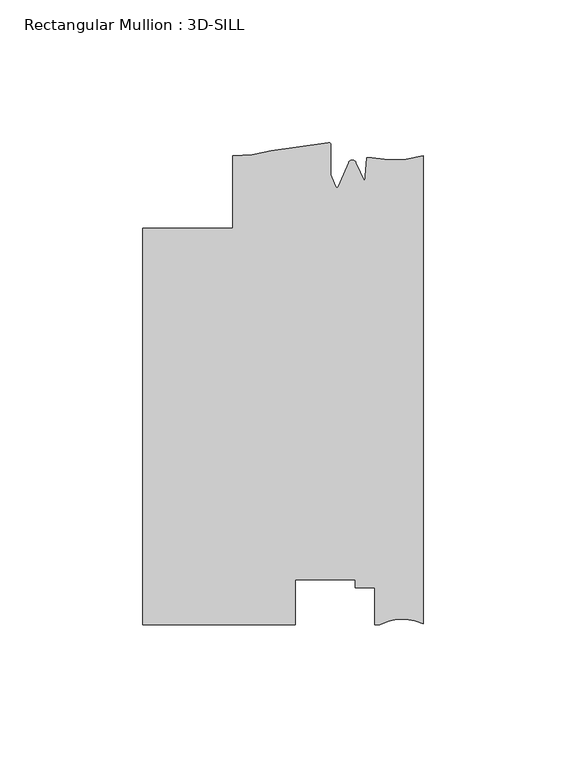
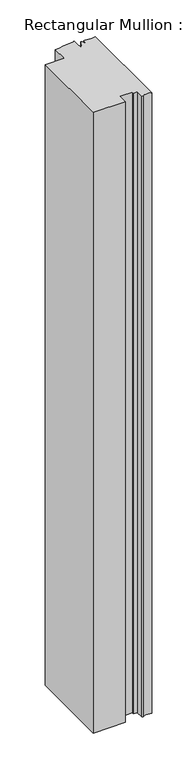
"""IFC4 building model written with IfcOpenShell, lengths in millimetres: member geometry, Rectangular Mullion : 3D-SILL."""

import ifcopenshell
import ifcopenshell.guid

model = None  # the IFC model being written
_history = None  # IfcOwnerHistory: only IFC2X3 demands one
_inside = {}  # id of a spatial element -> (the spatial element, [elements in it])
_under = {}  # id of a project, library or spatial element -> (it, [spatial elements below it])
_declared = {}  # id of a project -> (the project, [libraries it declares])
_typed = {}  # id of a type object -> (the type object, [elements of that type])
_made_of = {}  # id of a material, layer set ... -> (it, [elements and type objects made of it])


def new_model(schema):
    """Start an empty IFC model of exactly this schema.

    Asked for "IFC4X3", IfcOpenShell would pick the latest addendum, in which some entities
    have other attributes; the version numbers below select the first issue.
    IFC2X3 requires an IfcOwnerHistory on every rooted entity: one is made here for all.
    """
    global model, _history
    if schema == "IFC4X3":
        model = ifcopenshell.file(schema_version=(4, 3, 0, 0))
    else:
        model = ifcopenshell.file(schema=schema)
    _inside.clear()
    _under.clear()
    _declared.clear()
    _typed.clear()
    _made_of.clear()
    _history = None
    if model.schema == "IFC2X3":
        org = make("IfcOrganization", Name="unknown")
        user = make(
            "IfcPersonAndOrganization",
            ThePerson=make("IfcPerson", FamilyName="unknown"),
            TheOrganization=org,
        )
        app = make(
            "IfcApplication",
            ApplicationDeveloper=org,
            Version="unknown",
            ApplicationFullName="unknown",
            ApplicationIdentifier="unknown",
        )
        _history = make(
            "IfcOwnerHistory",
            OwningUser=user,
            OwningApplication=app,
            ChangeAction="ADDED",
            CreationDate=0,
        )
    return model


def make(cls, **values):
    """One entity of the class cls with the attributes given. An attribute that is None is left unset."""
    return model.create_entity(
        cls, **{name: value for name, value in values.items() if value is not None}
    )


def rooted(cls, **values):
    """An entity with a GlobalId (a new one), such as an element, a storey or a relation."""
    return make(cls, GlobalId=ifcopenshell.guid.new(), OwnerHistory=_history, **values)


def si_unit(unit_type, name, prefix=None):
    """IfcSIUnit, for example si_unit("LENGTHUNIT", "METRE", prefix="MILLI")."""
    return make("IfcSIUnit", UnitType=unit_type, Prefix=prefix, Name=name)


def assignment(units):
    """IfcUnitAssignment: the units of a project."""
    return None if units is None else make("IfcUnitAssignment", Units=units)


def point(xyz):
    """IfcCartesianPoint."""
    return None if xyz is None else make("IfcCartesianPoint", Coordinates=xyz)


def direction(xyz):
    """IfcDirection."""
    return None if xyz is None else make("IfcDirection", DirectionRatios=xyz)


def frame(location, z_axis=None, x_axis=None):
    """IfcAxis2Placement3D, a coordinate frame: its origin and axes. An axis left out is left unset."""
    return make(
        "IfcAxis2Placement3D",
        Location=point(location),
        Axis=direction(z_axis),
        RefDirection=direction(x_axis),
    )


def origin():
    """The frame at (0, 0, 0) with its axes left unset."""
    return frame((0.0, 0.0, 0.0))


def place(relative_to, where):
    """IfcLocalPlacement: puts the frame where relative to a parent placement (None: the world)."""
    return make(
        "IfcLocalPlacement", PlacementRelTo=relative_to, RelativePlacement=where
    )


def context(
    kind, dimensions, precision=None, world=None, true_north=None, identifier=None
):
    """IfcGeometricRepresentationContext, for example the 3D "Model" context."""
    return make(
        "IfcGeometricRepresentationContext",
        ContextIdentifier=identifier,
        ContextType=kind,
        CoordinateSpaceDimension=dimensions,
        Precision=precision,
        WorldCoordinateSystem=world,
        TrueNorth=true_north,
    )


def project(units=None, contexts=None):
    """IfcProject with its units and contexts."""
    return rooted(
        "IfcProject",
        Name="project",
        RepresentationContexts=contexts,
        UnitsInContext=assignment(units),
    )


def spatial(cls, under=None, at=None, **own):
    """A site, building, storey or space (cls), placed at a placement, below another one or the project."""
    s = rooted(cls, ObjectPlacement=at, **own)
    if under is not None:
        _under.setdefault(under.id(), (under, []))[1].append(s)
    return s


def polyline(points):
    """IfcPolyline through the points."""
    return make("IfcPolyline", Points=[point(p) for p in points])


def circle_curve(where, radius):
    """IfcCircle in the frame where."""
    return make("IfcCircle", Position=where, Radius=radius)


def shape(context_of_items, identifier, shape_type, items):
    """IfcShapeRepresentation: the items that make up one representation, for example the "Body"."""
    return make(
        "IfcShapeRepresentation",
        ContextOfItems=context_of_items,
        RepresentationIdentifier=identifier,
        RepresentationType=shape_type,
        Items=items,
    )


def source(mapping_origin, context_of_items, identifier, shape_type, items):
    """IfcRepresentationMap: a shape defined once, which mapped items show again and again."""
    return make(
        "IfcRepresentationMap",
        MappingOrigin=mapping_origin,
        MappedRepresentation=shape(context_of_items, identifier, shape_type, items),
    )


def transform(
    local_origin,
    x_axis=None,
    y_axis=None,
    z_axis=None,
    scale=None,
    scale2=None,
    scale3=None,
    uniform=True,
):
    """IfcCartesianTransformationOperator3D, or its non-uniform kind. x_axis, y_axis, z_axis: its Axis1, 2, 3."""
    if uniform:
        return make(
            "IfcCartesianTransformationOperator3D",
            Axis1=direction(x_axis),
            Axis2=direction(y_axis),
            LocalOrigin=point(local_origin),
            Scale=scale,
            Axis3=direction(z_axis),
        )
    return make(
        "IfcCartesianTransformationOperator3DnonUniform",
        Axis1=direction(x_axis),
        Axis2=direction(y_axis),
        LocalOrigin=point(local_origin),
        Scale=scale,
        Axis3=direction(z_axis),
        Scale2=scale2,
        Scale3=scale3,
    )


def mapped(mapping_source, mapping_target):
    """IfcMappedItem: shows the shape of a source again, moved by a transform."""
    return make(
        "IfcMappedItem", MappingSource=mapping_source, MappingTarget=mapping_target
    )


def made_of(thing, what):
    """Note that an element or type object is made of a material, layer set ...; save() writes the relation."""
    if what is not None:
        _made_of.setdefault(what.id(), (what, []))[1].append(thing)
    return thing


def element(
    cls,
    number,
    at=None,
    inside=None,
    cuts=None,
    type_object=None,
    material=None,
    context=None,
    identifier="Body",
    shape_type=None,
    held_by="IfcProductDefinitionShape",
    body=None,
    shapes=None,
    **own,
):
    """One element of the class cls, such as IfcWall. Its Tag is "e" and its number.

    at: its placement. inside: the storey or other place that contains it. cuts: it is an
    opening in that element (IfcRelVoidsElement). A single representation is given by context,
    identifier, shape_type and body (its items); several are given by shapes. held_by: the class
    of the entity that holds the representations. save() writes the other relations.
    """
    e = rooted(cls, Tag="e%d" % number, ObjectPlacement=at, **own)
    if body is not None:
        shapes = [shape(context, identifier, shape_type, body)]
    if shapes is not None:
        e.Representation = make(held_by, Representations=shapes)
    if inside is not None:
        _inside.setdefault(inside.id(), (inside, []))[1].append(e)
    if cuts is not None:
        rooted(
            "IfcRelVoidsElement", RelatingBuildingElement=cuts, RelatedOpeningElement=e
        )
    if type_object is not None:
        _typed.setdefault(type_object.id(), (type_object, []))[1].append(e)
    return made_of(e, material)


def aggregate(whole, parts):
    """IfcRelAggregates: a whole, such as a stair, and the parts it consists of."""
    return rooted("IfcRelAggregates", RelatingObject=whole, RelatedObjects=parts)


def save(model, path):
    """Write the relations noted so far, then the file.

    IfcRelAggregates (storeys below a building ...), IfcRelContainedInSpatialStructure (elements
    in a storey), IfcRelDefinesByType, IfcRelAssociatesMaterial and IfcRelDeclares: one each for
    every whole, place, type object, material and project.
    """
    for whole, parts in _under.values():
        aggregate(whole, parts)
    for where, things in _inside.values():
        rooted(
            "IfcRelContainedInSpatialStructure",
            RelatedElements=things,
            RelatingStructure=where,
        )
    for kind, things in _typed.values():
        rooted("IfcRelDefinesByType", RelatedObjects=things, RelatingType=kind)
    for what, things in _made_of.values():
        rooted("IfcRelAssociatesMaterial", RelatedObjects=things, RelatingMaterial=what)
    for by, libraries in _declared.values():
        rooted("IfcRelDeclares", RelatingContext=by, RelatedDefinitions=libraries)
    model.write(path)


def plane_surface(at):
    """IfcPlane: the flat surface through the origin of the frame at, square to its z axis."""
    return make("IfcPlane", Position=at)


def cylinder_surface(at, radius):
    """IfcCylindricalSurface: all points at the distance radius from the z axis of the frame at."""
    return make("IfcCylindricalSurface", Position=at, Radius=radius)


def revolved_surface(curve, axis_point, axis_direction):
    """IfcSurfaceOfRevolution: the curve turned about the line through axis_point along axis_direction."""
    return make(
        "IfcSurfaceOfRevolution",
        SweptCurve=make("IfcArbitraryOpenProfileDef", ProfileType="CURVE", Curve=curve),
        AxisPosition=make("IfcAxis1Placement", Location=point(axis_point), Axis=direction(axis_direction)),
    )


def advanced_brep(points, edges, surfaces, faces):
    """IfcAdvancedBrep: a solid bounded by faces that lie on surfaces and meet in shared edges.

    An edge is (start, end): straight between two places in points (the first is 0);
    or (start, end, curve); or (start, end, curve, False) where it runs against its curve.
    A face is (place in surfaces, loops), or (place, loops, False) where it looks against
    its surface's normal. A loop lists edges by number (the first is 1), with a minus sign
    where the edge is run from its end to its start. The first loop is the outer one.
    """
    corners = [point(p) for p in points]
    vertices = [make("IfcVertexPoint", VertexGeometry=c) for c in corners]
    made = []
    for start, end, *more in edges:
        made.append(
            make(
                "IfcEdgeCurve",
                EdgeStart=vertices[start],
                EdgeEnd=vertices[end],
                EdgeGeometry=more[0] if more else make("IfcPolyline", Points=[corners[start], corners[end]]),
                SameSense=more[1] if len(more) > 1 else True,
            )
        )
    hull = []
    for where, loops, *sense in faces:
        bounds = []
        for j, loop in enumerate(loops):
            ring = [make("IfcOrientedEdge", EdgeElement=made[abs(k) - 1], Orientation=k > 0) for k in loop]
            bounds.append(
                make(
                    "IfcFaceOuterBound" if j == 0 else "IfcFaceBound",
                    Bound=make("IfcEdgeLoop", EdgeList=ring),
                    Orientation=True,
                )
            )
        hull.append(make("IfcAdvancedFace", Bounds=bounds, FaceSurface=surfaces[where], SameSense=sense[0] if sense else True))
    return make("IfcAdvancedBrep", Outer=make("IfcClosedShell", CfsFaces=hull))


def rectangular_mullion_3d_sill_ddfbeca8(model_context):
    return source(origin(), model_context, "Body", "AdvancedBrep", [
        advanced_brep(
        [(-98.425, -27.8368125, 0.0), (-98.425, -167.0288125, 0.0), (-44.8099503, -167.0288125, 0.0), (-44.8099503, -151.130408, 0.0), (-23.8633011, -151.130408, 0.0), (-23.8633011, -153.9850133, 0.0), (-17.0053014, -153.9850133, 0.0), (-17.0053014, -167.0288125, 0.0), (-15.1680895, -167.0288125, 0.0), (0.0, -166.6478125, 0.0), (0.0, -2.4368125, 0.0), (-18.0334985, -3.1935504, 0.0), (-19.8211861, -3.0828843, 0.0), (-20.3867288, -11.4822036, 0.0), (-23.5593147, -4.7881561, 0.0), (-26.1362138, -4.7881561, 0.0), (-29.8075652, -13.2047236, 0.0), (-30.5559634, -13.2047236, 0.0), (-32.384137, -9.0136383, 0.0), (-32.384137, 1.4766469, 0.0), (-33.3130099, 2.2201504, 0.0), (-53.2924277, -0.6208493, 0.0), (-66.6751132, -2.4368125, 0.0), (-66.6751132, -27.8361661, 0.0), (-98.425, -27.8368125, -1098.55), (-66.6751132, -27.8361661, -1098.55), (-66.6751132, -2.4368125, -1098.55), (-53.2924277, -0.6208493, -1098.55), (-33.3138356, 2.2199646, -1098.55), (-32.384137, 1.4766469, -1098.55), (-32.384137, -9.0136383, -1098.55), (-30.5559634, -13.2047236, -1098.55), (-29.8075652, -13.2047236, -1098.55), (-26.1362138, -4.7881561, -1098.55), (-23.5593147, -4.7881561, -1098.55), (-20.3867288, -11.4822036, -1098.55), (-19.8211861, -3.0828843, -1098.55), (-18.0334985, -3.1935504, -1098.55), (0.0, -2.4368125, -1098.55), (0.0, -166.6478125, -1098.55), (-15.1680895, -167.0288125, -1098.55), (-17.0053014, -167.0288125, -1098.55), (-17.0053014, -153.9850133, -1098.55), (-23.8633011, -153.9850133, -1098.55), (-23.8633011, -151.130408, -1098.55), (-44.8099503, -151.130408, -1098.55), (-44.8099503, -167.0288125, -1098.55), (-98.425, -167.0288125, -1098.55)],
        [
            (0, 1),
            (1, 2),
            (2, 3),
            (3, 4),
            (4, 5),
            (5, 6),
            (6, 7),
            (7, 8),
            (8, 9, circle_curve(frame((-7.2326507, -180.8277516, 0.0), z_axis=(0.0, 0.0, -1.0), x_axis=(0.0, -1.0, 0.0)), 15.9179744)),
            (9, 10),
            (10, 11, circle_curve(frame((-10.6264113, 35.54399, 0.0), z_axis=(0.0, 0.0, -1.0), x_axis=(0.0, -1.0, 0.0)), 39.4393455)),
            (11, 12),
            (12, 13),
            (13, 14),
            (14, 15, circle_curve(frame((-24.8477643, -5.3280697, 0.0), z_axis=(0.0, 0.0, 1.0), x_axis=(-0.9222974554240703, 0.38648079346622805, 0.0)), 1.397)),
            (15, 16),
            (16, 17, circle_curve(frame((-30.1817643, -13.2763897, 0.0), z_axis=(0.0, 0.0, -1.0), x_axis=(-0.9821498950386456, 0.1880999300254456, 0.0)), 0.381)),
            (17, 18),
            (18, 19),
            (19, 20, circle_curve(frame((-33.146137, 1.4766469, 0.0), z_axis=(0.0, 0.0, 1.0), x_axis=(1.0, 0.0, 0.0)), 0.762)),
            (20, 21, circle_curve(frame((-61.125498, 126.1389145, 0.0), z_axis=(0.0, 0.0, -1.0), x_axis=(0.2189867881896227, -0.9757278240361876, 0.0)), 127.0015539)),
            (21, 22, circle_curve(frame((-65.8289407, 41.546973, 0.0), z_axis=(0.0, 0.0, -1.0), x_axis=(0.0, -1.0, 0.0)), 43.9919242)),
            (22, 23),
            (23, 0),
            (24, 25),
            (25, 26),
            (26, 27, circle_curve(frame((-65.8289407, 41.546973, -1098.55), z_axis=(0.0, 0.0, 1.0), x_axis=(0.0, -1.0, 0.0)), 43.9919242)),
            (27, 28, circle_curve(frame((-61.125498, 126.1389145, -1098.55), z_axis=(0.0, 0.0, 1.0), x_axis=(0.2189867881896227, -0.9757278240361876, 0.0)), 127.0015539)),
            (28, 29, circle_curve(frame((-33.146137, 1.4766469, -1098.55), z_axis=(0.0, 0.0, -1.0), x_axis=(1.0, 0.0, 0.0)), 0.762)),
            (29, 30),
            (30, 31),
            (31, 32, circle_curve(frame((-30.1817643, -13.2763897, -1098.55), z_axis=(0.0, 0.0, 1.0), x_axis=(-0.9821498950386456, 0.1880999300254456, 0.0)), 0.381)),
            (32, 33),
            (33, 34, circle_curve(frame((-24.8477643, -5.3280697, -1098.55), z_axis=(0.0, 0.0, -1.0), x_axis=(-0.9222974554240703, 0.38648079346622805, 0.0)), 1.397)),
            (34, 35),
            (35, 36),
            (36, 37),
            (37, 38, circle_curve(frame((-10.6264113, 35.54399, -1098.55), z_axis=(0.0, 0.0, 1.0), x_axis=(0.0, -1.0, 0.0)), 39.4393455)),
            (38, 39),
            (39, 40, circle_curve(frame((-7.2326507, -180.8277516, -1098.55), z_axis=(0.0, 0.0, 1.0), x_axis=(0.0, -1.0, 0.0)), 15.9179744)),
            (40, 41),
            (41, 42),
            (42, 43),
            (43, 44),
            (44, 45),
            (45, 46),
            (46, 47),
            (47, 24),
            (0, 24),
            (47, 1),
            (46, 2),
            (45, 3),
            (44, 4),
            (43, 5),
            (42, 6),
            (41, 7),
            (40, 8),
            (39, 9),
            (38, 10),
            (37, 11),
            (36, 12),
            (35, 13),
            (34, 14),
            (33, 15),
            (32, 16),
            (31, 17),
            (30, 18),
            (29, 19),
            (28, 20),
            (27, 21),
            (26, 22),
            (25, 23),
        ],
        [
            plane_surface(frame((0.0, -193.8713616, 0.0), z_axis=(0.0, 0.0, 1.0), x_axis=(-1.0, 0.0, 0.0))),
            plane_surface(frame((0.0, -193.8713616, -1098.55), z_axis=(0.0, 0.0, -1.0), x_axis=(-1.0, 0.0, 0.0))),
            plane_surface(frame((-98.425, -27.8368125, 0.0), z_axis=(-1.0, 0.0, 0.0), x_axis=(0.0, 0.0, -1.0))),
            plane_surface(frame((-98.425, -167.0288125, 0.0), z_axis=(0.0, -1.0, 0.0), x_axis=(0.0, 0.0, -1.0))),
            plane_surface(frame((-44.8099503, -167.0288125, 0.0), z_axis=(1.0, 0.0, 0.0), x_axis=(0.0, 0.0, -1.0))),
            plane_surface(frame((-44.8099503, -151.130408, 0.0), z_axis=(0.0, -1.0, 0.0), x_axis=(0.0, 0.0, -1.0))),
            plane_surface(frame((-23.8633011, -151.130408, 0.0), z_axis=(-1.0, 0.0, 0.0), x_axis=(0.0, 0.0, -1.0))),
            plane_surface(frame((-23.8633011, -153.9850133, 0.0), z_axis=(0.0, -1.0, 0.0), x_axis=(0.0, 0.0, -1.0))),
            plane_surface(frame((-17.0053014, -153.9850133, 0.0), z_axis=(-1.0, 0.0, 0.0), x_axis=(0.0, 0.0, -1.0))),
            plane_surface(frame((-17.0053014, -167.0288125, 0.0), z_axis=(0.0, -1.0, 0.0), x_axis=(0.0, 0.0, -1.0))),
            revolved_surface(polyline([(-7.2326507, -196.745726, -1098.55), (-7.2326507, -196.745726, 0.0)]), (-7.2326507, -180.8277516, 0.0), (0.0, 0.0, -1.0)),
            plane_surface(frame((0.0, -166.6478125, 0.0), z_axis=(1.0, 0.0, 0.0), x_axis=(0.0, 0.0, -1.0))),
            revolved_surface(polyline([(-10.6264113, -3.895355500000001, -1098.55), (-10.6264113, -3.895355500000001, 0.0)]), (-10.6264113, 35.54399, 0.0), (0.0, 0.0, -1.0)),
            plane_surface(frame((-18.0334985, -3.1935504, 0.0), z_axis=(0.0617863276188998, 0.9980893996628609, 0.0), x_axis=(0.0, 0.0, -1.0))),
            plane_surface(frame((-19.8211861, -3.0828843, 0.0), z_axis=(-0.997740881645106, 0.06717985631159565, 0.0), x_axis=(0.0, 0.0, -1.0))),
            plane_surface(frame((-20.3867288, -11.4822036, 0.0), z_axis=(0.9036479198265283, 0.4282761223710569, 0.0), x_axis=(0.0, 0.0, -1.0))),
            cylinder_surface(frame((-24.8477643, -5.3280697, 0.0), z_axis=(0.0, 0.0, 1.0), x_axis=(-0.9222974554240703, 0.38648079346622805, 0.0)), 1.397),
            plane_surface(frame((-26.1362138, -4.7881561, 0.0), z_axis=(-0.9165925711538568, 0.3998225337641213, 0.0), x_axis=(0.0, 0.0, -1.0))),
            revolved_surface(polyline([(-30.555963410009724, -13.204723626660304, -1098.55), (-30.555963410009724, -13.204723626660304, 0.0)]), (-30.1817643, -13.2763897, 0.0), (0.0, 0.0, -1.0)),
            plane_surface(frame((-30.5559634, -13.2047236, 0.0), z_axis=(0.9165925711538717, 0.39982253376408716, 0.0), x_axis=(0.0, 0.0, -1.0))),
            plane_surface(frame((-32.384137, -9.0136383, 0.0), z_axis=(1.0, 0.0, 0.0), x_axis=(0.0, 0.0, -1.0))),
            cylinder_surface(frame((-33.146137, 1.4766469, 0.0), z_axis=(0.0, 0.0, 1.0), x_axis=(1.0, 0.0, 0.0)), 0.762),
            revolved_surface(polyline([(-33.313835616347745, 2.2199646639383985, -1098.5500000000004), (-33.313835616347745, 2.2199646639383985, 0.0)]), (-61.125498, 126.1389145, 0.0), (0.0, 0.0, -1.0000000000000002)),
            revolved_surface(polyline([(-65.8289407, -2.4449511999999984, -1098.55), (-65.8289407, -2.4449511999999984, 0.0)]), (-65.8289407, 41.546973, 0.0), (0.0, 0.0, -1.0)),
            plane_surface(frame((-66.6751132, -2.4368125, 0.0), z_axis=(-1.0, 0.0, 0.0), x_axis=(0.0, 0.0, -1.0))),
            plane_surface(frame((-66.6751132, -27.8361661, 0.0), z_axis=(-2.0360673595886705e-05, 0.9999999997927215, 0.0), x_axis=(0.0, 0.0, -1.0))),
        ],
        [
            (0, [[1, 2, 3, 4, 5, 6, 7, 8, 9, 10, 11, 12, 13, 14, 15, 16, 17, 18, 19, 20, 21, 22, 23, 24]]),
            (1, [[25, 26, 27, 28, 29, 30, 31, 32, 33, 34, 35, 36, 37, 38, 39, 40, 41, 42, 43, 44, 45, 46, 47, 48]]),
            (2, [[-1, 49, -48, 50]]),
            (3, [[-2, -50, -47, 51]]),
            (4, [[-3, -51, -46, 52]]),
            (5, [[-4, -52, -45, 53]]),
            (6, [[-5, -53, -44, 54]]),
            (7, [[-6, -54, -43, 55]]),
            (8, [[-7, -55, -42, 56]]),
            (9, [[-8, -56, -41, 57]]),
            (10, [[-9, -57, -40, 58]]),
            (11, [[-10, -58, -39, 59]]),
            (12, [[-11, -59, -38, 60]]),
            (13, [[-12, -60, -37, 61]]),
            (14, [[-13, -61, -36, 62]]),
            (15, [[-14, -62, -35, 63]]),
            (16, [[-15, -63, -34, 64]]),
            (17, [[-16, -64, -33, 65]]),
            (18, [[-17, -65, -32, 66]]),
            (19, [[-18, -66, -31, 67]]),
            (20, [[-19, -67, -30, 68]]),
            (21, [[-20, -68, -29, 69]]),
            (22, [[-21, -69, -28, 70]]),
            (23, [[-22, -70, -27, 71]]),
            (24, [[-23, -71, -26, 72]]),
            (25, [[-24, -72, -25, -49]]),
        ],
    ),
    ])


if __name__ == "__main__":
    model = new_model("IFC4")
    model_context = context("Model", 3, world=origin())
    ifc_project = project(units=[si_unit("LENGTHUNIT", "METRE", prefix="MILLI")], contexts=[model_context])
    site = spatial("IfcSite", under=ifc_project)
    building = spatial("IfcBuilding", under=site)
    placement = place(None, origin())
    rectangular_mullion_3d_sill_shape = rectangular_mullion_3d_sill_ddfbeca8(model_context)
    element("IfcMember", 1, ObjectType="Rectangular Mullion : 3D-SILL", at=placement, inside=building, context=model_context, shape_type="MappedRepresentation", body=[
        mapped(rectangular_mullion_3d_sill_shape, transform((0.0, 0.0, 0.0), x_axis=(1.0, 0.0, 0.0), y_axis=(0.0, 1.0, 0.0), z_axis=(0.0, 0.0, 1.0))),
    ])
    save(model, "model.ifc")
